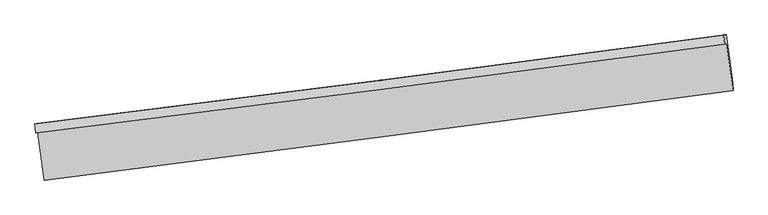
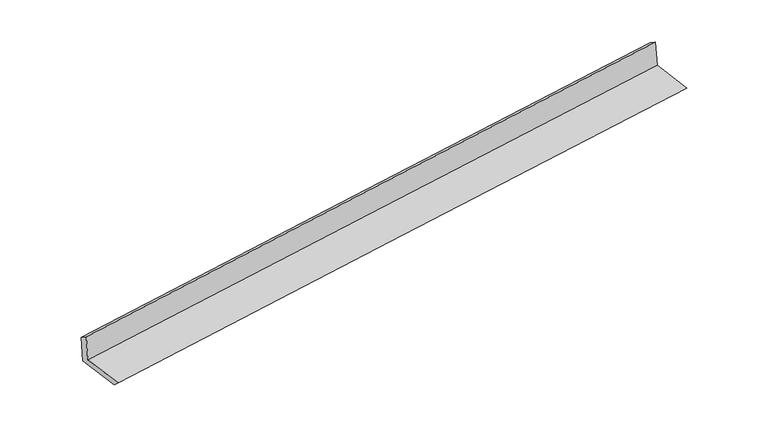
"""IFC4 building model written with IfcOpenShell, lengths in millimetres: proxy geometry."""

from ifc_helpers import new_model, si_unit, frame, origin, place, context, project, spatial, source, transform, mapped, element, save
from ifc_brep_helpers import plane_surface, spline_curve, spline_surface, advanced_brep


def generic_models_ec02fc9b(model_context):
    return source(origin(), model_context, "Body", "AdvancedBrep", [
        advanced_brep(
        [(-4778.7022635, -2103.5153292, 1892.9492991), (-4747.557828, -2095.4917955, 1500.4381052), (4702.2848944, -875.2265543, 2245.0947252), (4671.1404589, -883.250088, 2637.6059191), (-4787.8930484, -1982.8073857, 1811.4108725), (4661.949674, -762.5421445, 2556.0674925), (-4756.5614826, -1974.7356428, 1416.5412884), (4693.2812398, -754.4704016, 2161.1979084), (-4667.0576924, -2650.8926007, 1409.821421), (4781.4728274, -1420.7143167, 2154.5765601), (-4660.7198631, -2751.5097598, 1493.9183857), (4787.8106568, -1521.3314758, 2238.6735247)],
        [
            (0, 1),
            (1, 2, spline_curve(3, [(-4747.557828, -2095.4917955, 1500.4381052), (-3171.361842698, -1899.794881633, 1634.530497554), (-1595.281962247, -1700.191271509, 1763.667310056), (1554.665320315, -1293.426379436, 2011.873737704), (3128.533013926, -1086.274908844, 2130.95579802), (4702.2848944, -875.2265543, 2245.0947252)], [4, 2, 4], [0.0, 15.688081601890428, 31.356450431941994])),
            (2, 3),
            (3, 0, spline_curve(3, [(4671.1404589, -883.250088, 2637.6059191), (3097.388578426, -1094.298442544, 2523.46699192), (1523.520884815, -1301.449913236, 2404.384931604), (-1626.426397747, -1708.214805309, 2156.178503956), (-3202.506278198, -1907.818415333, 2027.041691454), (-4778.7022635, -2103.5153292, 1892.9492991)], [4, 2, 4], [0.0, 15.668368830051566, 31.356450431941994])),
            (4, 0),
            (3, 5),
            (5, 4, spline_curve(3, [(4661.949674, -762.5421445, 2556.0674925), (3088.197793526, -973.590499044, 2441.92856532), (1514.330099915, -1180.741969636, 2322.846504904), (-1635.617182647, -1587.506861709, 2074.640077256), (-3211.697063098, -1787.110471833, 1945.503264854), (-4787.8930484, -1982.8073857, 1811.4108725)], [4, 2, 4], [0.0, 15.668368830051563, 31.356450431941987])),
            (6, 4),
            (5, 7),
            (7, 6, spline_curve(3, [(4693.2812398, -754.4704016, 2161.1979084), (3119.529359326, -965.518756144, 2047.05898122), (1545.661665715, -1172.670226736, 1927.976920904), (-1604.285616847, -1579.435118809, 1679.770493256), (-3180.365497298, -1779.038728933, 1550.633680754), (-4756.5614826, -1974.7356428, 1416.5412884)], [4, 2, 4], [0.0, 15.668368830051561, 31.356450431941983])),
            (8, 6),
            (7, 9),
            (9, 8, spline_curve(3, [(4781.4728274, -1420.7143167, 2154.5765601), (3207.502658706, -1630.113610946, 2040.454021845), (1633.634964775, -1837.265081493, 1921.37196114), (-1515.875466274, -2247.330168976, 1673.132735801), (-3091.517945706, -2450.238126412, 1543.963083012), (-4667.0576924, -2650.8926007, 1409.821421)], [4, 2, 4], [0.0, 15.668330493450927, 31.356373710508468])),
            (10, 8),
            (9, 11),
            (11, 10, spline_curve(3, [(4787.8106568, -1521.3314758, 2238.6735247), (3213.840488138, -1730.730770063, 2124.550986639), (1639.972794522, -1937.882240613, 2005.468925992), (-1509.53763722, -2347.947328057, 1757.229700149), (-3085.180116724, -2550.855285558, 1628.060047864), (-4660.7198631, -2751.5097598, 1493.9183857)], [4, 2, 4], [0.0, 15.66830149782799, 31.356315682782466])),
            (1, 10),
            (11, 2),
        ],
        [
            spline_surface(3, 3, [[(-4778.7022635, -2103.5153292, 1892.9492991), (-3202.506278181, -1907.818415208, 2027.041691325), (-1626.426397734, -1708.214805325, 2156.178504111), (1523.520884802, -1301.44991322, 2404.384931449), (3097.388578485, -1094.2984427, 2523.466992013), (4671.1404589, -883.250088, 2637.6059191)], [(-4768.320784986, -2100.840817944, 1762.112234467), (-3192.124799667, -1905.143903952, 1896.204626693), (-1616.04491922, -1705.540294069, 2025.341439479), (1533.902363316, -1298.775401965, 2273.547866817), (3107.770057, -1091.623931444, 2392.62992738), (4681.521937414, -880.575576744, 2506.768854467)], [(-4757.939306514, -2098.166306756, 1631.275169833), (-3181.743321195, -1902.469392763, 1765.367562058), (-1605.663440749, -1702.86578278, 1894.504374844), (1544.283841787, -1296.100890676, 2142.710802182), (3118.151535471, -1088.949420256, 2261.792862746), (4691.903415886, -877.901065556, 2375.931789833)], [(-4747.557828, -2095.4917955, 1500.4381052), (-3171.361842681, -1899.794881508, 1634.530497425), (-1595.281962234, -1700.191271525, 1763.667310211), (1554.665320302, -1293.42637942, 2011.873737549), (3128.533013985, -1086.274909, 2130.955798113), (4702.2848944, -875.2265543, 2245.0947252)]], [4, 4], [4, 2, 4], [0.0, 1.292082018612287], [0.0, 15.688081601890428, 31.356450431941994]),
            spline_surface(3, 3, [[(-4787.8930484, -1982.8073857, 1811.4108725), (-3211.697063081, -1787.110471708, 1945.503264725), (-1635.617182634, -1587.506861725, 2074.640077411), (1514.330099902, -1180.74196962, 2322.846504749), (3088.197793585, -973.5904992, 2441.928565413), (4661.949674, -762.5421445, 2556.0674925)], [(-4784.829453444, -2023.043366888, 1838.590348041), (-3208.633468125, -1827.346452895, 1972.682740267), (-1632.553587679, -1627.742842912, 2101.819552953), (1517.393694858, -1220.977950808, 2350.025980291), (3091.261388541, -1013.826480388, 2469.108040954), (4665.013268956, -802.778125688, 2583.246968041)], [(-4781.765858456, -2063.279348012, 1865.769823559), (-3205.569873137, -1867.58243402, 1999.862215784), (-1629.48999269, -1667.978824137, 2128.99902857), (1520.457289846, -1261.213932033, 2377.205455908), (3094.32498353, -1054.062461512, 2496.287516471), (4668.076863944, -843.014106812, 2610.426443559)], [(-4778.7022635, -2103.5153292, 1892.9492991), (-3202.506278181, -1907.818415208, 2027.041691325), (-1626.426397734, -1708.214805325, 2156.178504111), (1523.520884802, -1301.44991322, 2404.384931449), (3097.388578485, -1094.2984427, 2523.466992013), (4671.1404589, -883.250088, 2637.6059191)]], [4, 4], [4, 2, 4], [0.0, 0.478860956628384], [0.0, 15.688081601890424, 31.356450431941987]),
            spline_surface(3, 3, [[(-4756.5614826, -1974.7356428, 1416.5412884), (-3180.365497281, -1779.038728808, 1550.633680625), (-1604.285616834, -1579.435118825, 1679.770493411), (1545.661665702, -1172.67022672, 1927.976920749), (3119.529359385, -965.5187563, 2047.058981313), (4693.2812398, -754.4704016, 2161.1979084)], [(-4767.005337875, -1977.426223766, 1548.164483089), (-3190.809352556, -1781.729309773, 1682.256875314), (-1614.72947211, -1582.12569979, 1811.3936881), (1535.217810427, -1175.360807686, 2059.600115438), (3109.08550411, -968.209337266, 2178.682176002), (4682.837384525, -757.160982566, 2292.821103089)], [(-4777.449193125, -1980.116804734, 1679.787677811), (-3201.253207806, -1784.419890742, 1813.880070036), (-1625.173327359, -1584.816280759, 1943.016882722), (1524.773955177, -1178.051388655, 2191.22331006), (3098.641648861, -970.899918234, 2310.305370724), (4672.393529275, -759.851563534, 2424.444297811)], [(-4787.8930484, -1982.8073857, 1811.4108725), (-3211.697063081, -1787.110471708, 1945.503264725), (-1635.617182634, -1587.506861725, 2074.640077411), (1514.330099902, -1180.74196962, 2322.846504749), (3088.197793585, -973.5904992, 2441.928565413), (4661.949674, -762.5421445, 2556.0674925)]], [4, 4], [4, 2, 4], [0.0, 1.2998454495086338], [0.0, 15.688081601890422, 31.356450431941983]),
            spline_surface(3, 3, [[(-4667.0576924, -2650.8926007, 1409.821421), (-3091.517945862, -2450.238126619, 1543.963083067), (-1515.875466394, -2247.330169064, 1673.132735594), (1633.634964895, -1837.265081406, 1921.371961347), (3207.502658679, -1630.113610985, 2040.454021911), (4781.4728274, -1420.7143167, 2154.5765601)], [(-4696.892289107, -2425.506948059, 1412.061376788), (-3121.133796308, -2226.504994008, 1546.186615574), (-1545.345516553, -2024.698485657, 1675.345321542), (1604.310531818, -1615.733463183, 1923.57361449), (3178.178225602, -1408.581992763, 2042.655675053), (4752.075631554, -1198.633011673, 2156.783676209)], [(-4726.726885893, -2200.121295441, 1414.301332612), (-3150.749646835, -2002.771861419, 1548.410148118), (-1574.815566675, -1802.066802232, 1677.557907464), (1574.986098779, -1394.201844943, 1925.775267607), (3148.853792463, -1187.050374522, 2044.85732817), (4722.678435646, -976.551706627, 2158.990792291)], [(-4756.5614826, -1974.7356428, 1416.5412884), (-3180.365497281, -1779.038728808, 1550.633680625), (-1604.285616834, -1579.435118825, 1679.770493411), (1545.661665702, -1172.67022672, 1927.976920749), (3119.529359385, -965.5187563, 2047.058981313), (4693.2812398, -754.4704016, 2161.1979084)]], [4, 4], [4, 2, 4], [0.0, 2.205024096008595], [0.0, 15.68804321705754, 31.356373710508468]),
            spline_surface(3, 3, [[(-4660.7198631, -2751.5097598, 1493.9183857), (-3085.180116562, -2550.855285719, 1628.060047767), (-1509.537636994, -2347.947328164, 1757.229700194), (1639.972794295, -1937.882240506, 2005.468925947), (3213.840488079, -1730.730770085, 2124.550986511), (4787.8106568, -1521.3314758, 2238.6735247)], [(-4662.832472896, -2717.970706763, 1465.88606415), (-3087.292726358, -2517.316232683, 1600.027726217), (-1511.65024679, -2314.408275127, 1729.197378645), (1637.860184499, -1904.343187469, 1977.436604397), (3211.727878283, -1697.191717048, 2096.518664961), (4785.698047004, -1487.792422763, 2210.64120315)], [(-4664.945082604, -2684.431653737, 1437.85374255), (-3089.405336065, -2483.777179656, 1571.995404617), (-1513.762856598, -2280.869222101, 1701.165057144), (1635.747574692, -1870.804134442, 1949.404282897), (3209.615268475, -1663.652664022, 2068.48634346), (4783.585437196, -1454.253369737, 2182.60888165)], [(-4667.0576924, -2650.8926007, 1409.821421), (-3091.517945862, -2450.238126619, 1543.963083067), (-1515.875466394, -2247.330169064, 1673.132735594), (1633.634964895, -1837.265081406, 1921.371961347), (3207.502658679, -1630.113610985, 2040.454021911), (4781.4728274, -1420.7143167, 2154.5765601)]], [4, 4], [4, 2, 4], [0.0, 0.4307316758136039], [0.0, 15.688014184954476, 31.356315682782466]),
            spline_surface(3, 3, [[(-4747.557828, -2095.4917955, 1500.4381052), (-3171.361842681, -1899.794881508, 1634.530497425), (-1595.281962234, -1700.191271525, 1763.667310211), (1554.665320302, -1293.42637942, 2011.873737549), (3128.533013985, -1086.274909, 2130.955798113), (4702.2848944, -875.2265543, 2245.0947252)], [(-4718.611839692, -2314.16445028, 1498.264865364), (-3142.634600633, -2116.815016258, 1632.37368087), (-1566.700520474, -1916.109957071, 1761.521440216), (1583.10114498, -1508.244999782, 2009.738800359), (3156.968838664, -1301.093529361, 2128.820860922), (4730.793481847, -1090.594861466, 2242.954325044)], [(-4689.665851408, -2532.83710502, 1496.091625536), (-3113.907358609, -2333.835150969, 1630.216864322), (-1538.119078755, -2132.028642618, 1759.37557019), (1611.536969617, -1723.063620144, 2007.603863138), (3185.4046634, -1515.912149724, 2126.685923701), (4759.302069353, -1305.963168634, 2240.813924856)], [(-4660.7198631, -2751.5097598, 1493.9183857), (-3085.180116562, -2550.855285719, 1628.060047767), (-1509.537636994, -2347.947328164, 1757.229700194), (1639.972794295, -1937.882240506, 2005.468925947), (3213.840488079, -1730.730770085, 2124.550986511), (4787.8106568, -1521.3314758, 2238.6735247)]], [4, 4], [4, 2, 4], [0.0, 2.138371692052813], [0.0, 15.688043217057539, 31.356373710508464]),
            plane_surface(frame((4716.3232919, -1036.2558301, 2332.2026883), z_axis=(0.9881939815668889, 0.13000287008949277, 0.08106730884563836), x_axis=(-0.13122025819078598, 0.9913042841790582, 0.00985190380528061))),
            plane_surface(frame((-4733.0820297, -2259.825419, 1587.5132287), z_axis=(-0.9881939815668552, -0.13000287008977707, -0.08106730884559053), x_axis=(-0.07908159479496565, -0.02037326524490618, 0.9966599377059085))),
        ],
        [
            (0, [[1, 2, 3, 4]]),
            (1, [[5, -4, 6, 7]]),
            (2, [[8, -7, 9, 10]]),
            (3, [[11, -10, 12, 13]]),
            (4, [[14, -13, 15, 16]]),
            (5, [[17, -16, 18, -2]]),
            (6, [[-12, -9, -6, -3, -18, -15]]),
            (7, [[-1, -5, -8, -11, -14, -17]]),
        ],
    ),
    ])


if __name__ == "__main__":
    model = new_model("IFC4")
    model_context = context("Model", 3, world=origin())
    ifc_project = project(units=[si_unit("LENGTHUNIT", "METRE", prefix="MILLI")], contexts=[model_context])
    site = spatial("IfcSite", under=ifc_project)
    building = spatial("IfcBuilding", under=site)
    placement = place(None, origin())
    generic_models_shape = generic_models_ec02fc9b(model_context)
    element("IfcBuildingElementProxy", 1, Name="Generic Models", at=placement, inside=building, context=model_context, shape_type="MappedRepresentation", body=[
        mapped(generic_models_shape, transform((0.0, 0.0, 0.0), x_axis=(1.0, 0.0, 0.0), y_axis=(0.0, 1.0, 0.0), z_axis=(0.0, 0.0, 1.0))),
    ])
    save(model, "model.ifc")
